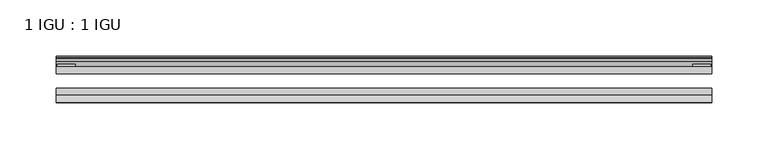
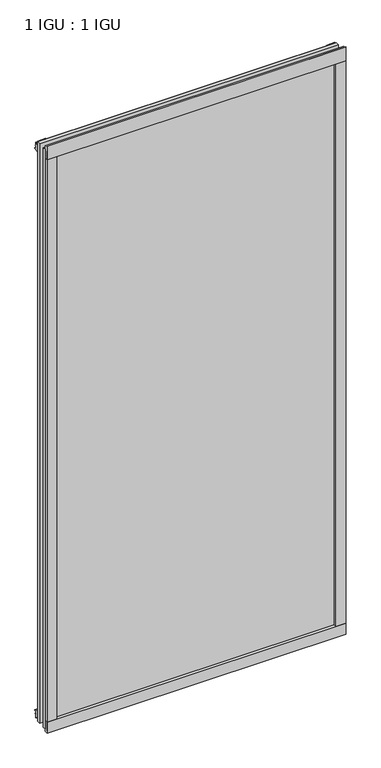
"""IFC4 building model written with IfcOpenShell, lengths in millimetres: plate geometry, 1 IGU : 1 IGU."""

from ifc_helpers import new_model, si_unit, point, frame, frame_2d, origin, place, context, project, spatial, polyline, circle_curve, trimmed, segment, composite_curve, outline, extrude, source, transform, mapped, element, save


def plate_1_igu_1_igu_ffea97d1(model_context):
    return source(origin(), model_context, "Body", "SweptSolid", [
        extrude(outline(polyline([(292.1, 0.0021347), (292.1, -6.2992), (-292.1, -6.2992), (-292.1, 0.0021347), (292.1, 0.0021347)])), frame((0.0, 0.0, -17.4498), z_axis=(0.0, 0.0, 1.0), x_axis=(1.0, 0.0, 0.0)), (0.0, 0.0, 1.0), 1196.9496),
        extrude(outline(polyline([(-292.1, -19.0986653), (292.1, -19.0986653), (292.1, -25.3978653), (-292.1, -25.3978653), (-292.1, -19.0986653)])), frame((0.0, 0.0, -17.4498), z_axis=(0.0, 0.0, 1.0), x_axis=(1.0, 0.0, 0.0)), (0.0, 0.0, 1.0), 1196.9496),
        extrude(outline(composite_curve([segment(polyline([(-31.75, 0.0), (-25.4, 0.0), (-25.4, -22.225)]), True, "CONTINUOUS"), segment(trimmed(circle_curve(frame_2d((-28.575, -28.9113452)), 7.4018806), [point((-25.4, -22.225))], [point((-31.75, -22.225))], True, "CARTESIAN"), True, "CONTINUOUS"), segment(polyline([(-31.75, -22.225), (-31.75, 0.0)]), True, "CONTINUOUS")], self_intersect=False)), frame((-292.1, 0.0, 0.0), z_axis=(1.0, 0.0, 0.0), x_axis=(0.0, 1.0, 0.0)), (0.0, 0.0, 1.0), 584.2),
        extrude(outline(composite_curve([segment(trimmed(circle_curve(frame_2d((13.6593785, 32.4202472)), 31.3046461), [point((0.0, 4.2528503))], [point((9.3980339, 1.406995))], True, "CARTESIAN"), True, "CONTINUOUS"), segment(polyline([(9.3980339, 1.406995), (9.3980339, 0.0254), (6.35, 0.0254), (6.35, -5.1625788), (7.7309478, -5.3970663), (6.35, -8.0073788), (6.35, -11.8471127)]), True, "CONTINUOUS"), segment(trimmed(circle_curve(frame_2d((5.334, -11.8471127)), 1.016), [point((6.35, -11.8471127))], [point((4.6284878, -12.5782136))], False, "CARTESIAN"), True, "CONTINUOUS"), segment(trimmed(circle_curve(frame_2d((-23.3689302, -41.5910901)), 40.3187601), [point((4.6284878, -12.5782136))], [point((0.0, -8.735413))], True, "CARTESIAN"), True, "CONTINUOUS"), segment(polyline([(0.0, -8.735413), (0.0, 4.2528503)]), True, "CONTINUOUS")], self_intersect=False)), frame((-292.1, 0.0, 0.0), z_axis=(1.0, 0.0, 0.0), x_axis=(0.0, 1.0, 0.0)), (0.0, 0.0, 1.0), 584.2),
        extrude(outline(composite_curve([segment(trimmed(circle_curve(frame_2d((-23.3689302, 1203.6664901)), 40.3187601), [point((0.0, 1170.810813))], [point((4.9746073, 1174.9916528))], True, "CARTESIAN"), True, "CONTINUOUS"), segment(trimmed(circle_curve(frame_2d((5.8674, 1174.0884245)), 1.27), [point((4.9746073, 1174.9916528))], [point((7.1374, 1174.0884245))], False, "CARTESIAN"), True, "CONTINUOUS"), segment(polyline([(7.1374, 1174.0884245), (7.1374, 1169.6876168), (7.7309478, 1167.4724663), (6.35, 1167.2379788), (6.35, 1162.05), (9.3980339, 1162.05), (9.3980339, 1160.668405)]), True, "CONTINUOUS"), segment(trimmed(circle_curve(frame_2d((13.6593785, 1129.6551528)), 31.3046461), [point((9.3980339, 1160.668405))], [point((0.0, 1157.8225497))], True, "CARTESIAN"), True, "CONTINUOUS"), segment(polyline([(0.0, 1157.8225497), (0.0, 1170.810813)]), True, "CONTINUOUS")], self_intersect=False)), frame((-292.1, 0.0, 0.0), z_axis=(1.0, 0.0, 0.0), x_axis=(0.0, 1.0, 0.0)), (0.0, 0.0, 1.0), 584.2),
        extrude(outline(composite_curve([segment(polyline([(-25.4, 1187.45), (-25.4, 1162.05), (-31.75, 1162.05), (-31.75, 1190.2228973)]), True, "CONTINUOUS"), segment(trimmed(circle_curve(frame_2d((-24.1401272, 1198.9924115)), 11.6109665), [point((-31.75, 1190.2228973))], [point((-25.4, 1187.45))], True, "CARTESIAN"), True, "CONTINUOUS")], self_intersect=False)), frame((-292.1, 0.0, 0.0), z_axis=(1.0, 0.0, 0.0), x_axis=(0.0, 1.0, 0.0)), (0.0, 0.0, 1.0), 584.2),
        extrude(outline(composite_curve([segment(polyline([(273.05, -25.4), (292.1, -25.4)]), True, "CONTINUOUS"), segment(trimmed(circle_curve(frame_2d((301.5661507, -28.575)), 9.9844196), [point((292.1, -25.4))], [point((292.1, -31.75))], True, "CARTESIAN"), True, "CONTINUOUS"), segment(polyline([(292.1, -31.75), (273.05, -31.75), (273.05, -25.4)]), True, "CONTINUOUS")], self_intersect=False)), frame((0.0, 0.0, -17.4498), z_axis=(0.0, 0.0, 1.0), x_axis=(1.0, 0.0, 0.0)), (0.0, 0.0, 1.0), 1196.9496),
        extrude(outline(polyline([(290.8935, 2.2860088), (290.8935, 0.0021347), (275.0185, 0.0021347), (275.0185, 2.2860088), (290.8935, 2.2860088)])), frame((0.0, 0.0, -17.4498), z_axis=(0.0, 0.0, 1.0), x_axis=(1.0, 0.0, 0.0)), (0.0, 0.0, 1.0), 1196.9496),
        extrude(outline(composite_curve([segment(trimmed(circle_curve(frame_2d((-301.5661507, -28.575)), 9.9844196), [point((-292.1, -31.75))], [point((-292.1, -25.4))], True, "CARTESIAN"), True, "CONTINUOUS"), segment(polyline([(-292.1, -25.4), (-273.05, -25.4), (-273.05, -31.75), (-292.1, -31.75)]), True, "CONTINUOUS")], self_intersect=False)), frame((0.0, 0.0, -17.4498), z_axis=(0.0, 0.0, 1.0), x_axis=(1.0, 0.0, 0.0)), (0.0, 0.0, 1.0), 1196.9496),
        extrude(outline(polyline([(-290.8935, 0.0), (-290.8935, 2.286), (-275.0185, 2.286), (-275.0185, 0.0), (-290.8935, 0.0)])), frame((0.0, 0.0, -17.4498), z_axis=(0.0, 0.0, 1.0), x_axis=(1.0, 0.0, 0.0)), (0.0, 0.0, 1.0), 1196.9496),
    ])


if __name__ == "__main__":
    model = new_model("IFC4")
    model_context = context("Model", 3, world=origin())
    ifc_project = project(units=[si_unit("LENGTHUNIT", "METRE", prefix="MILLI")], contexts=[model_context])
    site = spatial("IfcSite", under=ifc_project)
    building = spatial("IfcBuilding", under=site)
    placement = place(None, origin())
    plate_1_igu_1_igu_shape = plate_1_igu_1_igu_ffea97d1(model_context)
    element("IfcPlate", 1, ObjectType="1 IGU : 1 IGU", at=placement, inside=building, context=model_context, shape_type="MappedRepresentation", body=[
        mapped(plate_1_igu_1_igu_shape, transform((0.0, 0.0, 0.0), x_axis=(1.0, 0.0, 0.0), y_axis=(0.0, 1.0, 0.0), z_axis=(0.0, 0.0, 1.0))),
    ])
    save(model, "model.ifc")
